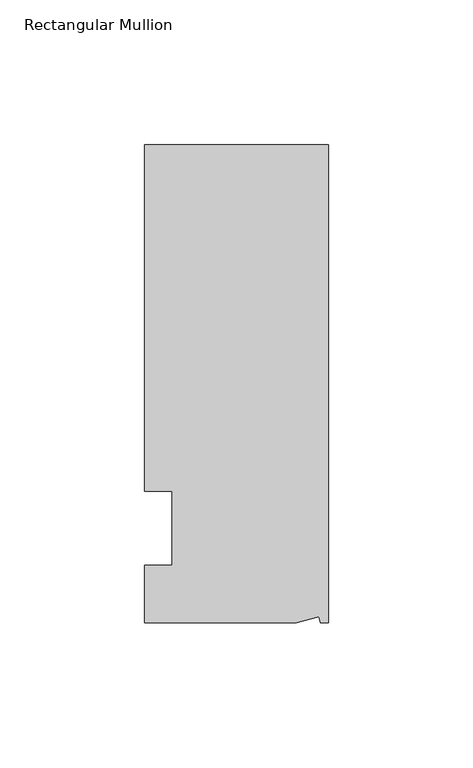
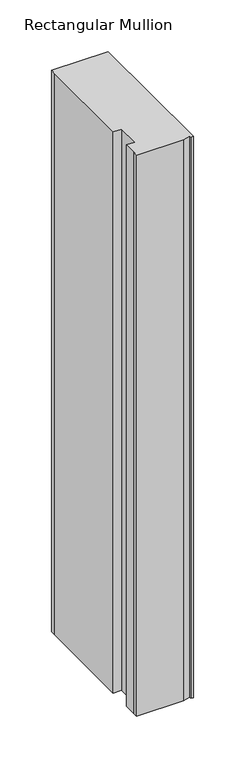
"""IFC4 building model written with IfcOpenShell, lengths in millimetres: member geometry, Rectangular Mullion."""

import ifcopenshell
import ifcopenshell.guid

model = None  # the IFC model being written
_history = None  # IfcOwnerHistory: only IFC2X3 demands one
_inside = {}  # id of a spatial element -> (the spatial element, [elements in it])
_under = {}  # id of a project, library or spatial element -> (it, [spatial elements below it])
_declared = {}  # id of a project -> (the project, [libraries it declares])
_typed = {}  # id of a type object -> (the type object, [elements of that type])
_made_of = {}  # id of a material, layer set ... -> (it, [elements and type objects made of it])


def new_model(schema):
    """Start an empty IFC model of exactly this schema.

    Asked for "IFC4X3", IfcOpenShell would pick the latest addendum, in which some entities
    have other attributes; the version numbers below select the first issue.
    IFC2X3 requires an IfcOwnerHistory on every rooted entity: one is made here for all.
    """
    global model, _history
    if schema == "IFC4X3":
        model = ifcopenshell.file(schema_version=(4, 3, 0, 0))
    else:
        model = ifcopenshell.file(schema=schema)
    _inside.clear()
    _under.clear()
    _declared.clear()
    _typed.clear()
    _made_of.clear()
    _history = None
    if model.schema == "IFC2X3":
        org = make("IfcOrganization", Name="unknown")
        user = make(
            "IfcPersonAndOrganization",
            ThePerson=make("IfcPerson", FamilyName="unknown"),
            TheOrganization=org,
        )
        app = make(
            "IfcApplication",
            ApplicationDeveloper=org,
            Version="unknown",
            ApplicationFullName="unknown",
            ApplicationIdentifier="unknown",
        )
        _history = make(
            "IfcOwnerHistory",
            OwningUser=user,
            OwningApplication=app,
            ChangeAction="ADDED",
            CreationDate=0,
        )
    return model


def make(cls, **values):
    """One entity of the class cls with the attributes given. An attribute that is None is left unset."""
    return model.create_entity(
        cls, **{name: value for name, value in values.items() if value is not None}
    )


def rooted(cls, **values):
    """An entity with a GlobalId (a new one), such as an element, a storey or a relation."""
    return make(cls, GlobalId=ifcopenshell.guid.new(), OwnerHistory=_history, **values)


def si_unit(unit_type, name, prefix=None):
    """IfcSIUnit, for example si_unit("LENGTHUNIT", "METRE", prefix="MILLI")."""
    return make("IfcSIUnit", UnitType=unit_type, Prefix=prefix, Name=name)


def assignment(units):
    """IfcUnitAssignment: the units of a project."""
    return None if units is None else make("IfcUnitAssignment", Units=units)


def point(xyz):
    """IfcCartesianPoint."""
    return None if xyz is None else make("IfcCartesianPoint", Coordinates=xyz)


def direction(xyz):
    """IfcDirection."""
    return None if xyz is None else make("IfcDirection", DirectionRatios=xyz)


def frame(location, z_axis=None, x_axis=None):
    """IfcAxis2Placement3D, a coordinate frame: its origin and axes. An axis left out is left unset."""
    return make(
        "IfcAxis2Placement3D",
        Location=point(location),
        Axis=direction(z_axis),
        RefDirection=direction(x_axis),
    )


def origin():
    """The frame at (0, 0, 0) with its axes left unset."""
    return frame((0.0, 0.0, 0.0))


def place(relative_to, where):
    """IfcLocalPlacement: puts the frame where relative to a parent placement (None: the world)."""
    return make(
        "IfcLocalPlacement", PlacementRelTo=relative_to, RelativePlacement=where
    )


def context(
    kind, dimensions, precision=None, world=None, true_north=None, identifier=None
):
    """IfcGeometricRepresentationContext, for example the 3D "Model" context."""
    return make(
        "IfcGeometricRepresentationContext",
        ContextIdentifier=identifier,
        ContextType=kind,
        CoordinateSpaceDimension=dimensions,
        Precision=precision,
        WorldCoordinateSystem=world,
        TrueNorth=true_north,
    )


def project(units=None, contexts=None):
    """IfcProject with its units and contexts."""
    return rooted(
        "IfcProject",
        Name="project",
        RepresentationContexts=contexts,
        UnitsInContext=assignment(units),
    )


def spatial(cls, under=None, at=None, **own):
    """A site, building, storey or space (cls), placed at a placement, below another one or the project."""
    s = rooted(cls, ObjectPlacement=at, **own)
    if under is not None:
        _under.setdefault(under.id(), (under, []))[1].append(s)
    return s


def faces_of(points, faces, orient=None, outer=None):
    """IfcFace entities. A face is a list of loops; a loop is a list of indices into points, from 0.

    orient and outer hold one flag for each loop. By default every Orientation is true, the
    first loop of a face is its IfcFaceOuterBound and the others are IfcFaceBound.
    """
    made = []
    for i, loops in enumerate(faces):
        bounds = []
        for j, loop in enumerate(loops):
            is_outer = j == 0 if outer is None else outer[i][j]
            bounds.append(
                make(
                    "IfcFaceOuterBound" if is_outer else "IfcFaceBound",
                    Bound=make("IfcPolyLoop", Polygon=[points[k] for k in loop]),
                    Orientation=True if orient is None else orient[i][j],
                )
            )
        made.append(make("IfcFace", Bounds=bounds))
    return made


def faceted_brep(points, faces, orient=None, outer=None, voids=None):
    """IfcFacetedBrep: a solid bounded by flat faces; with voids (closed shells), ...WithVoids."""
    shared = [point(p) for p in points]
    hull = make("IfcClosedShell", CfsFaces=faces_of(shared, faces, orient, outer))
    if voids is None:
        return make("IfcFacetedBrep", Outer=hull)
    return make(
        "IfcFacetedBrepWithVoids",
        Outer=hull,
        Voids=[
            make(cls, CfsFaces=faces_of(shared, fs, o, b)) for cls, fs, o, b in voids
        ],
    )


def shape(context_of_items, identifier, shape_type, items):
    """IfcShapeRepresentation: the items that make up one representation, for example the "Body"."""
    return make(
        "IfcShapeRepresentation",
        ContextOfItems=context_of_items,
        RepresentationIdentifier=identifier,
        RepresentationType=shape_type,
        Items=items,
    )


def source(mapping_origin, context_of_items, identifier, shape_type, items):
    """IfcRepresentationMap: a shape defined once, which mapped items show again and again."""
    return make(
        "IfcRepresentationMap",
        MappingOrigin=mapping_origin,
        MappedRepresentation=shape(context_of_items, identifier, shape_type, items),
    )


def transform(
    local_origin,
    x_axis=None,
    y_axis=None,
    z_axis=None,
    scale=None,
    scale2=None,
    scale3=None,
    uniform=True,
):
    """IfcCartesianTransformationOperator3D, or its non-uniform kind. x_axis, y_axis, z_axis: its Axis1, 2, 3."""
    if uniform:
        return make(
            "IfcCartesianTransformationOperator3D",
            Axis1=direction(x_axis),
            Axis2=direction(y_axis),
            LocalOrigin=point(local_origin),
            Scale=scale,
            Axis3=direction(z_axis),
        )
    return make(
        "IfcCartesianTransformationOperator3DnonUniform",
        Axis1=direction(x_axis),
        Axis2=direction(y_axis),
        LocalOrigin=point(local_origin),
        Scale=scale,
        Axis3=direction(z_axis),
        Scale2=scale2,
        Scale3=scale3,
    )


def mapped(mapping_source, mapping_target):
    """IfcMappedItem: shows the shape of a source again, moved by a transform."""
    return make(
        "IfcMappedItem", MappingSource=mapping_source, MappingTarget=mapping_target
    )


def made_of(thing, what):
    """Note that an element or type object is made of a material, layer set ...; save() writes the relation."""
    if what is not None:
        _made_of.setdefault(what.id(), (what, []))[1].append(thing)
    return thing


def element(
    cls,
    number,
    at=None,
    inside=None,
    cuts=None,
    type_object=None,
    material=None,
    context=None,
    identifier="Body",
    shape_type=None,
    held_by="IfcProductDefinitionShape",
    body=None,
    shapes=None,
    **own,
):
    """One element of the class cls, such as IfcWall. Its Tag is "e" and its number.

    at: its placement. inside: the storey or other place that contains it. cuts: it is an
    opening in that element (IfcRelVoidsElement). A single representation is given by context,
    identifier, shape_type and body (its items); several are given by shapes. held_by: the class
    of the entity that holds the representations. save() writes the other relations.
    """
    e = rooted(cls, Tag="e%d" % number, ObjectPlacement=at, **own)
    if body is not None:
        shapes = [shape(context, identifier, shape_type, body)]
    if shapes is not None:
        e.Representation = make(held_by, Representations=shapes)
    if inside is not None:
        _inside.setdefault(inside.id(), (inside, []))[1].append(e)
    if cuts is not None:
        rooted(
            "IfcRelVoidsElement", RelatingBuildingElement=cuts, RelatedOpeningElement=e
        )
    if type_object is not None:
        _typed.setdefault(type_object.id(), (type_object, []))[1].append(e)
    return made_of(e, material)


def aggregate(whole, parts):
    """IfcRelAggregates: a whole, such as a stair, and the parts it consists of."""
    return rooted("IfcRelAggregates", RelatingObject=whole, RelatedObjects=parts)


def save(model, path):
    """Write the relations noted so far, then the file.

    IfcRelAggregates (storeys below a building ...), IfcRelContainedInSpatialStructure (elements
    in a storey), IfcRelDefinesByType, IfcRelAssociatesMaterial and IfcRelDeclares: one each for
    every whole, place, type object, material and project.
    """
    for whole, parts in _under.values():
        aggregate(whole, parts)
    for where, things in _inside.values():
        rooted(
            "IfcRelContainedInSpatialStructure",
            RelatedElements=things,
            RelatingStructure=where,
        )
    for kind, things in _typed.values():
        rooted("IfcRelDefinesByType", RelatedObjects=things, RelatingType=kind)
    for what, things in _made_of.values():
        rooted("IfcRelAssociatesMaterial", RelatedObjects=things, RelatingMaterial=what)
    for by, libraries in _declared.values():
        rooted("IfcRelDeclares", RelatingContext=by, RelatedDefinitions=libraries)
    model.write(path)


def rectangular_mullion_48232955(model_context):
    return source(origin(), model_context, "Body", "Brep", [
        faceted_brep([(0.0, 132.5561012, 0.0), (-63.5, 132.5561012, 0.0), (-63.5, 126.2061012, 0.0), (-63.5, 12.8488281, 0.0), (-53.975, 12.8488281, 0.0), (-53.975, -12.7, 0.0), (-63.5, -12.7, 0.0), (-63.5, -26.1938988, 0.0), (-63.5076469, -32.5438988, 0.0), (-11.1125, -32.5438988, 0.0), (-3.3223696, -30.4565397, 0.0), (-2.7630634, -32.5438988, 0.0), (0.0, -32.5438988, 0.0), (0.0, 132.5561012, -663.575), (0.0, -32.5438988, -663.575), (-2.7630634, -32.5438988, -663.575), (-3.3223696, -30.4565397, -663.575), (-11.1125, -32.5438988, -663.575), (-63.5076469, -32.5438988, -663.575), (-63.5076469, -26.1938988, -663.575), (-63.5, -12.7, -663.575), (-53.975, -12.7, -663.575), (-53.975, 12.8488281, -663.575), (-63.5, 12.8488281, -663.575), (-63.5, 126.2061012, -663.575), (-63.5, 132.5561012, -663.575)], [[[0, 1, 2, 3, 4, 5, 6, 7, 8, 9, 10, 11, 12]], [[13, 14, 15, 16, 17, 18, 19, 20, 21, 22, 23, 24, 25]], [[1, 0, 13, 25]], [[3, 2, 24, 23]], [[4, 3, 23, 22]], [[5, 4, 22, 21]], [[6, 5, 21, 20]], [[7, 6, 20, 19]], [[9, 8, 18, 17]], [[10, 9, 17, 16]], [[11, 10, 16, 15]], [[12, 11, 15, 14]], [[0, 12, 14, 13]], [[2, 1, 25, 24]], [[8, 7, 19, 18]]]),
    ])


if __name__ == "__main__":
    model = new_model("IFC4")
    model_context = context("Model", 3, world=origin())
    ifc_project = project(units=[si_unit("LENGTHUNIT", "METRE", prefix="MILLI")], contexts=[model_context])
    site = spatial("IfcSite", under=ifc_project)
    building = spatial("IfcBuilding", under=site)
    placement = place(None, origin())
    rectangular_mullion_shape = rectangular_mullion_48232955(model_context)
    element("IfcMember", 1, ObjectType="Rectangular Mullion", at=placement, inside=building, context=model_context, shape_type="MappedRepresentation", body=[
        mapped(rectangular_mullion_shape, transform((0.0, 0.0, 0.0), x_axis=(1.0, 0.0, 0.0), y_axis=(0.0, 1.0, 0.0), z_axis=(0.0, 0.0, 1.0))),
    ])
    save(model, "model.ifc")
